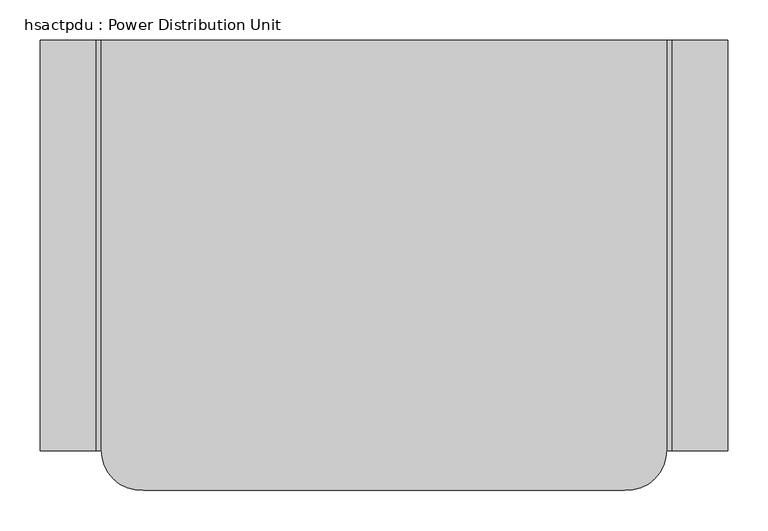
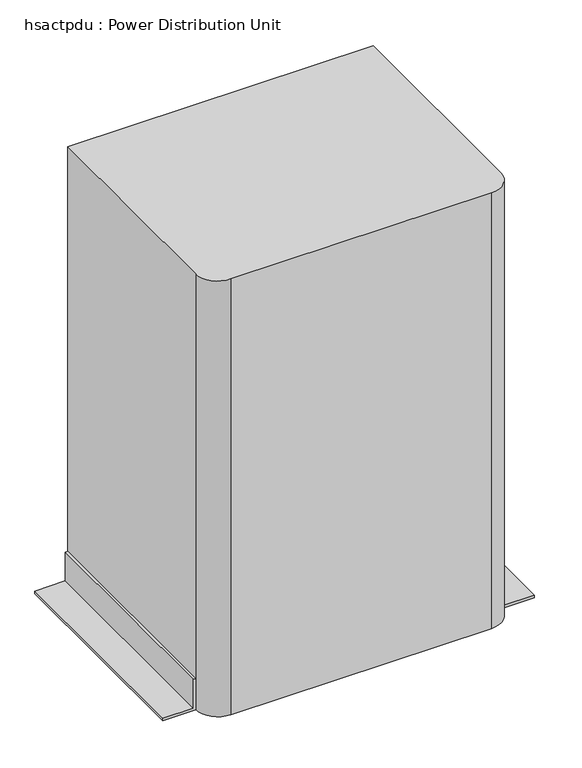
"""IFC4 building model written with IfcOpenShell, lengths in millimetres: proxy geometry, hsactpdu : Power Distribution Unit."""

import ifcopenshell
import ifcopenshell.guid

model = None  # the IFC model being written
_history = None  # IfcOwnerHistory: only IFC2X3 demands one
_inside = {}  # id of a spatial element -> (the spatial element, [elements in it])
_under = {}  # id of a project, library or spatial element -> (it, [spatial elements below it])
_declared = {}  # id of a project -> (the project, [libraries it declares])
_typed = {}  # id of a type object -> (the type object, [elements of that type])
_made_of = {}  # id of a material, layer set ... -> (it, [elements and type objects made of it])


def new_model(schema):
    """Start an empty IFC model of exactly this schema.

    Asked for "IFC4X3", IfcOpenShell would pick the latest addendum, in which some entities
    have other attributes; the version numbers below select the first issue.
    IFC2X3 requires an IfcOwnerHistory on every rooted entity: one is made here for all.
    """
    global model, _history
    if schema == "IFC4X3":
        model = ifcopenshell.file(schema_version=(4, 3, 0, 0))
    else:
        model = ifcopenshell.file(schema=schema)
    _inside.clear()
    _under.clear()
    _declared.clear()
    _typed.clear()
    _made_of.clear()
    _history = None
    if model.schema == "IFC2X3":
        org = make("IfcOrganization", Name="unknown")
        user = make(
            "IfcPersonAndOrganization",
            ThePerson=make("IfcPerson", FamilyName="unknown"),
            TheOrganization=org,
        )
        app = make(
            "IfcApplication",
            ApplicationDeveloper=org,
            Version="unknown",
            ApplicationFullName="unknown",
            ApplicationIdentifier="unknown",
        )
        _history = make(
            "IfcOwnerHistory",
            OwningUser=user,
            OwningApplication=app,
            ChangeAction="ADDED",
            CreationDate=0,
        )
    return model


def make(cls, **values):
    """One entity of the class cls with the attributes given. An attribute that is None is left unset."""
    return model.create_entity(
        cls, **{name: value for name, value in values.items() if value is not None}
    )


def rooted(cls, **values):
    """An entity with a GlobalId (a new one), such as an element, a storey or a relation."""
    return make(cls, GlobalId=ifcopenshell.guid.new(), OwnerHistory=_history, **values)


def si_unit(unit_type, name, prefix=None):
    """IfcSIUnit, for example si_unit("LENGTHUNIT", "METRE", prefix="MILLI")."""
    return make("IfcSIUnit", UnitType=unit_type, Prefix=prefix, Name=name)


def assignment(units):
    """IfcUnitAssignment: the units of a project."""
    return None if units is None else make("IfcUnitAssignment", Units=units)


def point(xyz):
    """IfcCartesianPoint."""
    return None if xyz is None else make("IfcCartesianPoint", Coordinates=xyz)


def direction(xyz):
    """IfcDirection."""
    return None if xyz is None else make("IfcDirection", DirectionRatios=xyz)


def frame(location, z_axis=None, x_axis=None):
    """IfcAxis2Placement3D, a coordinate frame: its origin and axes. An axis left out is left unset."""
    return make(
        "IfcAxis2Placement3D",
        Location=point(location),
        Axis=direction(z_axis),
        RefDirection=direction(x_axis),
    )


def frame_2d(location, x_axis=None):
    """IfcAxis2Placement2D, a coordinate frame in the plane: its origin and x axis."""
    return make(
        "IfcAxis2Placement2D", Location=point(location), RefDirection=direction(x_axis)
    )


def origin():
    """The frame at (0, 0, 0) with its axes left unset."""
    return frame((0.0, 0.0, 0.0))


def origin_with_axes():
    """The frame at (0, 0, 0) with the z axis (0, 0, 1) and the x axis (1, 0, 0) written out."""
    return frame((0.0, 0.0, 0.0), z_axis=(0.0, 0.0, 1.0), x_axis=(1.0, 0.0, 0.0))


def place(relative_to, where):
    """IfcLocalPlacement: puts the frame where relative to a parent placement (None: the world)."""
    return make(
        "IfcLocalPlacement", PlacementRelTo=relative_to, RelativePlacement=where
    )


def context(
    kind, dimensions, precision=None, world=None, true_north=None, identifier=None
):
    """IfcGeometricRepresentationContext, for example the 3D "Model" context."""
    return make(
        "IfcGeometricRepresentationContext",
        ContextIdentifier=identifier,
        ContextType=kind,
        CoordinateSpaceDimension=dimensions,
        Precision=precision,
        WorldCoordinateSystem=world,
        TrueNorth=true_north,
    )


def project(units=None, contexts=None):
    """IfcProject with its units and contexts."""
    return rooted(
        "IfcProject",
        Name="project",
        RepresentationContexts=contexts,
        UnitsInContext=assignment(units),
    )


def spatial(cls, under=None, at=None, **own):
    """A site, building, storey or space (cls), placed at a placement, below another one or the project."""
    s = rooted(cls, ObjectPlacement=at, **own)
    if under is not None:
        _under.setdefault(under.id(), (under, []))[1].append(s)
    return s


def polyline(points):
    """IfcPolyline through the points."""
    return make("IfcPolyline", Points=[point(p) for p in points])


def circle_curve(where, radius):
    """IfcCircle in the frame where."""
    return make("IfcCircle", Position=where, Radius=radius)


def trimmed(basis, trim1, trim2, sense, master):
    """IfcTrimmedCurve: the piece of a basis curve between two trims."""
    return make(
        "IfcTrimmedCurve",
        BasisCurve=basis,
        Trim1=trim1,
        Trim2=trim2,
        SenseAgreement=sense,
        MasterRepresentation=master,
    )


def segment(curve, same_sense, transition):
    """IfcCompositeCurveSegment."""
    return make(
        "IfcCompositeCurveSegment",
        Transition=transition,
        SameSense=same_sense,
        ParentCurve=curve,
    )


def composite_curve(segments, self_intersect=None):
    """IfcCompositeCurve: segments joined end to end."""
    return make("IfcCompositeCurve", Segments=segments, SelfIntersect=self_intersect)


def outline(outer, holes=None, kind="AREA"):
    """IfcArbitraryClosedProfileDef: a profile drawn as a closed curve; with holes, ...WithVoids."""
    if holes is None:
        return make("IfcArbitraryClosedProfileDef", ProfileType=kind, OuterCurve=outer)
    return make(
        "IfcArbitraryProfileDefWithVoids",
        ProfileType=kind,
        OuterCurve=outer,
        InnerCurves=holes,
    )


def extrude(swept, where, along, depth):
    """IfcExtrudedAreaSolid: the profile swept, set in the frame where, extruded along a direction by depth."""
    return make(
        "IfcExtrudedAreaSolid",
        SweptArea=swept,
        Position=where,
        ExtrudedDirection=direction(along),
        Depth=depth,
    )


def shape(context_of_items, identifier, shape_type, items):
    """IfcShapeRepresentation: the items that make up one representation, for example the "Body"."""
    return make(
        "IfcShapeRepresentation",
        ContextOfItems=context_of_items,
        RepresentationIdentifier=identifier,
        RepresentationType=shape_type,
        Items=items,
    )


def source(mapping_origin, context_of_items, identifier, shape_type, items):
    """IfcRepresentationMap: a shape defined once, which mapped items show again and again."""
    return make(
        "IfcRepresentationMap",
        MappingOrigin=mapping_origin,
        MappedRepresentation=shape(context_of_items, identifier, shape_type, items),
    )


def transform(
    local_origin,
    x_axis=None,
    y_axis=None,
    z_axis=None,
    scale=None,
    scale2=None,
    scale3=None,
    uniform=True,
):
    """IfcCartesianTransformationOperator3D, or its non-uniform kind. x_axis, y_axis, z_axis: its Axis1, 2, 3."""
    if uniform:
        return make(
            "IfcCartesianTransformationOperator3D",
            Axis1=direction(x_axis),
            Axis2=direction(y_axis),
            LocalOrigin=point(local_origin),
            Scale=scale,
            Axis3=direction(z_axis),
        )
    return make(
        "IfcCartesianTransformationOperator3DnonUniform",
        Axis1=direction(x_axis),
        Axis2=direction(y_axis),
        LocalOrigin=point(local_origin),
        Scale=scale,
        Axis3=direction(z_axis),
        Scale2=scale2,
        Scale3=scale3,
    )


def mapped(mapping_source, mapping_target):
    """IfcMappedItem: shows the shape of a source again, moved by a transform."""
    return make(
        "IfcMappedItem", MappingSource=mapping_source, MappingTarget=mapping_target
    )


def made_of(thing, what):
    """Note that an element or type object is made of a material, layer set ...; save() writes the relation."""
    if what is not None:
        _made_of.setdefault(what.id(), (what, []))[1].append(thing)
    return thing


def element(
    cls,
    number,
    at=None,
    inside=None,
    cuts=None,
    type_object=None,
    material=None,
    context=None,
    identifier="Body",
    shape_type=None,
    held_by="IfcProductDefinitionShape",
    body=None,
    shapes=None,
    **own,
):
    """One element of the class cls, such as IfcWall. Its Tag is "e" and its number.

    at: its placement. inside: the storey or other place that contains it. cuts: it is an
    opening in that element (IfcRelVoidsElement). A single representation is given by context,
    identifier, shape_type and body (its items); several are given by shapes. held_by: the class
    of the entity that holds the representations. save() writes the other relations.
    """
    e = rooted(cls, Tag="e%d" % number, ObjectPlacement=at, **own)
    if body is not None:
        shapes = [shape(context, identifier, shape_type, body)]
    if shapes is not None:
        e.Representation = make(held_by, Representations=shapes)
    if inside is not None:
        _inside.setdefault(inside.id(), (inside, []))[1].append(e)
    if cuts is not None:
        rooted(
            "IfcRelVoidsElement", RelatingBuildingElement=cuts, RelatedOpeningElement=e
        )
    if type_object is not None:
        _typed.setdefault(type_object.id(), (type_object, []))[1].append(e)
    return made_of(e, material)


def aggregate(whole, parts):
    """IfcRelAggregates: a whole, such as a stair, and the parts it consists of."""
    return rooted("IfcRelAggregates", RelatingObject=whole, RelatedObjects=parts)


def save(model, path):
    """Write the relations noted so far, then the file.

    IfcRelAggregates (storeys below a building ...), IfcRelContainedInSpatialStructure (elements
    in a storey), IfcRelDefinesByType, IfcRelAssociatesMaterial and IfcRelDeclares: one each for
    every whole, place, type object, material and project.
    """
    for whole, parts in _under.values():
        aggregate(whole, parts)
    for where, things in _inside.values():
        rooted(
            "IfcRelContainedInSpatialStructure",
            RelatedElements=things,
            RelatingStructure=where,
        )
    for kind, things in _typed.values():
        rooted("IfcRelDefinesByType", RelatedObjects=things, RelatingType=kind)
    for what, things in _made_of.values():
        rooted("IfcRelAssociatesMaterial", RelatedObjects=things, RelatingMaterial=what)
    for by, libraries in _declared.values():
        rooted("IfcRelDeclares", RelatingContext=by, RelatedDefinitions=libraries)
    model.write(path)


def hsactpdu_power_distribution_unit_3a3cbb2b(model_context):
    return source(origin(), model_context, "Body", "SweptSolid", [
        extrude(outline(polyline([(76.2, 0.0), (76.2, -6.35), (6.35, -6.35), (6.35, -76.2), (0.0, -76.2), (0.0, 0.0), (76.2, 0.0)])), frame((0.0, -663.4300654, 0.0), z_axis=(0.0, 1.0, 0.0), x_axis=(0.0, 0.0, 1.0)), (0.0, 0.0, 1.0), 511.0300654),
        extrude(outline(polyline([(76.2, 703.4161363), (0.0, 703.4161363), (0.0, 779.6161363), (6.35, 779.6161363), (6.35, 709.7661363), (76.2, 709.7661363), (76.2, 703.4161363)])), frame((0.0, -663.4300654, 0.0), z_axis=(0.0, 1.0, 0.0), x_axis=(0.0, 0.0, 1.0)), (0.0, 0.0, 1.0), 511.0300654),
        extrude(outline(composite_curve([segment(polyline([(703.4161363, -152.4), (703.4161363, -661.8046404)]), True, "CONTINUOUS"), segment(trimmed(circle_curve(frame_2d((653.1955201, -662.6173529)), 50.2271917), [point((703.4161363, -661.8046404))], [point((651.4020536, -712.8125147))], False, "CARTESIAN"), True, "CONTINUOUS"), segment(polyline([(651.4020536, -712.8125147), (52.0140827, -712.8125147)]), True, "CONTINUOUS"), segment(trimmed(circle_curve(frame_2d((50.2206161, -662.6173529)), 50.2271917), [point((52.0140827, -712.8125147))], [point((0.0, -661.8046404))], False, "CARTESIAN"), True, "CONTINUOUS"), segment(polyline([(0.0, -661.8046404), (0.0, -152.4), (703.4161363, -152.4)]), True, "CONTINUOUS")], self_intersect=False)), origin_with_axes(), (0.0, 0.0, 1.0), 1061.72),
    ])


if __name__ == "__main__":
    model = new_model("IFC4")
    model_context = context("Model", 3, world=origin())
    ifc_project = project(units=[si_unit("LENGTHUNIT", "METRE", prefix="MILLI")], contexts=[model_context])
    site = spatial("IfcSite", under=ifc_project)
    building = spatial("IfcBuilding", under=site)
    placement = place(None, origin())
    hsactpdu_power_distribution_unit_shape = hsactpdu_power_distribution_unit_3a3cbb2b(model_context)
    element("IfcBuildingElementProxy", 1, Name="hsactpdu : Power Distribution Unit", ObjectType="hsactpdu : Power Distribution Unit", at=placement, inside=building, context=model_context, shape_type="MappedRepresentation", body=[
        mapped(hsactpdu_power_distribution_unit_shape, transform((0.0, 0.0, 0.0), x_axis=(1.0, 0.0, 0.0), y_axis=(0.0, 1.0, 0.0), z_axis=(0.0, 0.0, 1.0))),
    ])
    save(model, "model.ifc")
